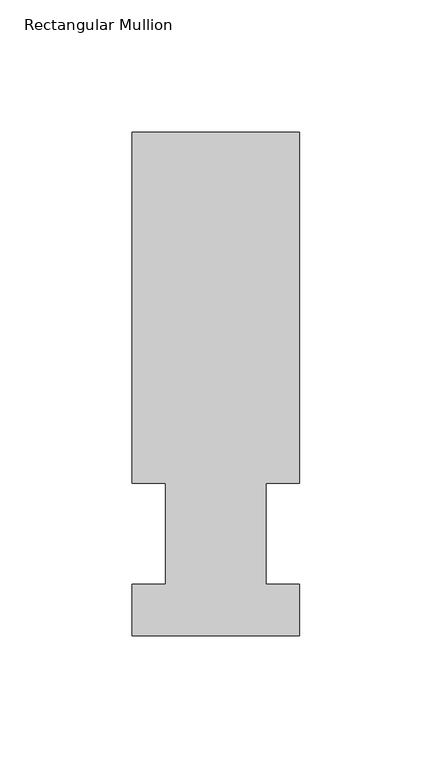
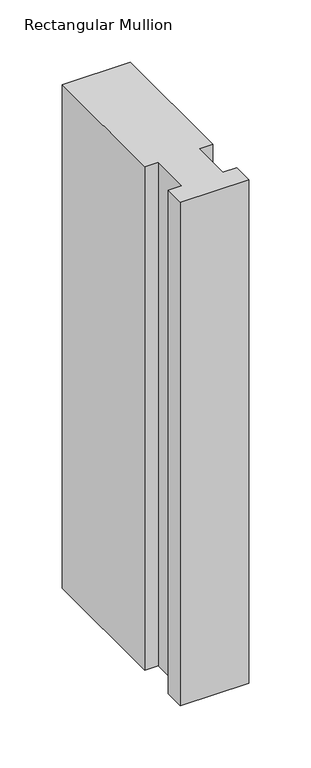
"""IFC4 building model written with IfcOpenShell, lengths in millimetres: member geometry, Rectangular Mullion."""

from ifc_helpers import new_model, si_unit, frame, origin, place, context, project, spatial, polyline, outline, extrude, source, transform, mapped, element, save


def rectangular_mullion_f1dc263a(model_context):
    return source(origin(), model_context, "Body", "SweptSolid", [
        extrude(outline(polyline([(-63.5, 190.5896938), (0.0, 190.5896938), (0.0, 57.6460937), (-12.6873, 57.6460937), (-12.6873, 19.5460938), (0.0, 19.5460938), (0.0, 0.0134938), (-63.5, 0.0134938), (-63.5, 19.5460938), (-50.8, 19.5460938), (-50.8, 57.6460937), (-63.5, 57.6460937), (-63.5, 190.5896938)])), frame((0.0, 0.0, -495.37593), z_axis=(0.0, 0.0, 1.0), x_axis=(1.0, 0.0, 0.0)), (0.0, 0.0, 1.0), 495.37593),
    ])


if __name__ == "__main__":
    model = new_model("IFC4")
    model_context = context("Model", 3, world=origin())
    ifc_project = project(units=[si_unit("LENGTHUNIT", "METRE", prefix="MILLI")], contexts=[model_context])
    site = spatial("IfcSite", under=ifc_project)
    building = spatial("IfcBuilding", under=site)
    placement = place(None, origin())
    rectangular_mullion_shape = rectangular_mullion_f1dc263a(model_context)
    element("IfcMember", 1, ObjectType="Rectangular Mullion", at=placement, inside=building, context=model_context, shape_type="MappedRepresentation", body=[
        mapped(rectangular_mullion_shape, transform((0.0, 0.0, 0.0), x_axis=(1.0, 0.0, 0.0), y_axis=(0.0, 1.0, 0.0), z_axis=(0.0, 0.0, 1.0))),
    ])
    save(model, "model.ifc")
